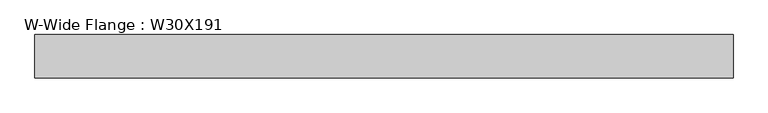
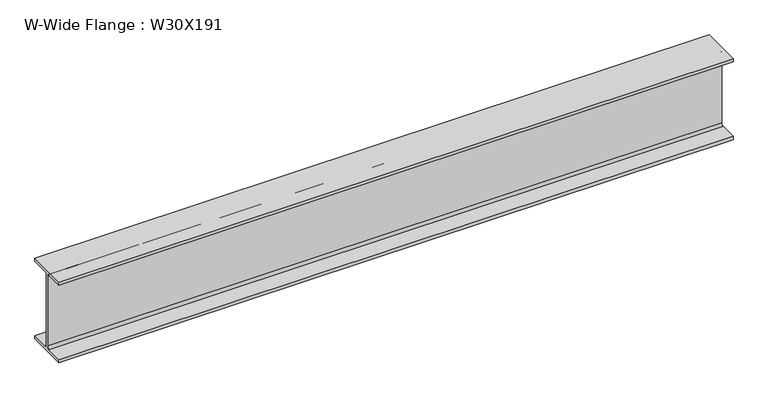
"""IFC4 building model written with IfcOpenShell, lengths in millimetres: beam geometry, W-Wide Flange : W30X191."""

from ifc_helpers import new_model, si_unit, point, frame, frame_2d, origin, place, context, project, spatial, polyline, circle_curve, trimmed, segment, composite_curve, outline, extrude, source, transform, mapped, element, save


def w_wide_flange_w30x191_f5baff04(model_context):
    return source(origin(), model_context, "Body", "SweptSolid", [
        extrude(outline(composite_curve([segment(polyline([(190.5, -359.664), (190.5, -389.89), (-190.5, -389.89), (-190.5, -359.664), (-31.1785, -359.664)]), True, "CONTINUOUS"), segment(trimmed(circle_curve(frame_2d((-31.1785, -337.5025)), 22.1615), [point((-31.1785, -359.664))], [point((-9.017, -337.5025))], True, "CARTESIAN"), True, "CONTINUOUS"), segment(polyline([(-9.017, -337.5025), (-9.017, 337.5025)]), True, "CONTINUOUS"), segment(trimmed(circle_curve(frame_2d((-31.1785, 337.5025)), 22.1615), [point((-9.017, 337.5025))], [point((-31.1785, 359.664))], True, "CARTESIAN"), True, "CONTINUOUS"), segment(polyline([(-31.1785, 359.664), (-190.5, 359.664), (-190.5, 389.89), (190.5, 389.89), (190.5, 359.664), (31.1785, 359.664)]), True, "CONTINUOUS"), segment(trimmed(circle_curve(frame_2d((31.1785, 337.5025)), 22.1615), [point((31.1785, 359.664))], [point((9.017, 337.5025))], True, "CARTESIAN"), True, "CONTINUOUS"), segment(polyline([(9.017, 337.5025), (9.017, -337.5025)]), True, "CONTINUOUS"), segment(trimmed(circle_curve(frame_2d((31.1785, -337.5025)), 22.1615), [point((9.017, -337.5025))], [point((31.1785, -359.664))], True, "CARTESIAN"), True, "CONTINUOUS"), segment(polyline([(31.1785, -359.664), (190.5, -359.664)]), True, "CONTINUOUS")], self_intersect=False)), frame((-3079.75, 0.0, 0.0), z_axis=(1.0, 0.0, 0.0), x_axis=(0.0, 1.0, 0.0)), (0.0, 0.0, 1.0), 6159.5),
    ])


if __name__ == "__main__":
    model = new_model("IFC4")
    model_context = context("Model", 3, world=origin())
    ifc_project = project(units=[si_unit("LENGTHUNIT", "METRE", prefix="MILLI")], contexts=[model_context])
    site = spatial("IfcSite", under=ifc_project)
    building = spatial("IfcBuilding", under=site)
    placement = place(None, origin())
    w_wide_flange_w30x191_shape = w_wide_flange_w30x191_f5baff04(model_context)
    element("IfcBeam", 1, ObjectType="W-Wide Flange : W30X191", at=placement, inside=building, context=model_context, shape_type="MappedRepresentation", body=[
        mapped(w_wide_flange_w30x191_shape, transform((0.0, 0.0, 0.0), x_axis=(1.0, 0.0, 0.0), y_axis=(0.0, 1.0, 0.0), z_axis=(0.0, 0.0, 1.0))),
    ])
    save(model, "model.ifc")
